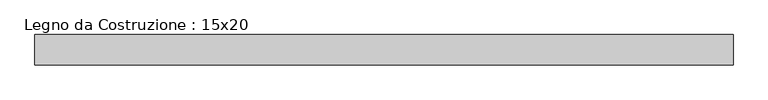
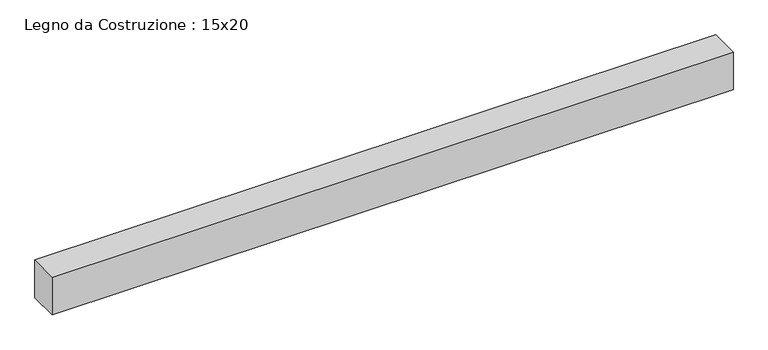
"""IFC4 building model written with IfcOpenShell, lengths in millimetres: beam geometry, Legno da Costruzione : 15x20."""

import ifcopenshell
import ifcopenshell.guid

model = None  # the IFC model being written
_history = None  # IfcOwnerHistory: only IFC2X3 demands one
_inside = {}  # id of a spatial element -> (the spatial element, [elements in it])
_under = {}  # id of a project, library or spatial element -> (it, [spatial elements below it])
_declared = {}  # id of a project -> (the project, [libraries it declares])
_typed = {}  # id of a type object -> (the type object, [elements of that type])
_made_of = {}  # id of a material, layer set ... -> (it, [elements and type objects made of it])


def new_model(schema):
    """Start an empty IFC model of exactly this schema.

    Asked for "IFC4X3", IfcOpenShell would pick the latest addendum, in which some entities
    have other attributes; the version numbers below select the first issue.
    IFC2X3 requires an IfcOwnerHistory on every rooted entity: one is made here for all.
    """
    global model, _history
    if schema == "IFC4X3":
        model = ifcopenshell.file(schema_version=(4, 3, 0, 0))
    else:
        model = ifcopenshell.file(schema=schema)
    _inside.clear()
    _under.clear()
    _declared.clear()
    _typed.clear()
    _made_of.clear()
    _history = None
    if model.schema == "IFC2X3":
        org = make("IfcOrganization", Name="unknown")
        user = make(
            "IfcPersonAndOrganization",
            ThePerson=make("IfcPerson", FamilyName="unknown"),
            TheOrganization=org,
        )
        app = make(
            "IfcApplication",
            ApplicationDeveloper=org,
            Version="unknown",
            ApplicationFullName="unknown",
            ApplicationIdentifier="unknown",
        )
        _history = make(
            "IfcOwnerHistory",
            OwningUser=user,
            OwningApplication=app,
            ChangeAction="ADDED",
            CreationDate=0,
        )
    return model


def make(cls, **values):
    """One entity of the class cls with the attributes given. An attribute that is None is left unset."""
    return model.create_entity(
        cls, **{name: value for name, value in values.items() if value is not None}
    )


def rooted(cls, **values):
    """An entity with a GlobalId (a new one), such as an element, a storey or a relation."""
    return make(cls, GlobalId=ifcopenshell.guid.new(), OwnerHistory=_history, **values)


def si_unit(unit_type, name, prefix=None):
    """IfcSIUnit, for example si_unit("LENGTHUNIT", "METRE", prefix="MILLI")."""
    return make("IfcSIUnit", UnitType=unit_type, Prefix=prefix, Name=name)


def assignment(units):
    """IfcUnitAssignment: the units of a project."""
    return None if units is None else make("IfcUnitAssignment", Units=units)


def point(xyz):
    """IfcCartesianPoint."""
    return None if xyz is None else make("IfcCartesianPoint", Coordinates=xyz)


def direction(xyz):
    """IfcDirection."""
    return None if xyz is None else make("IfcDirection", DirectionRatios=xyz)


def frame(location, z_axis=None, x_axis=None):
    """IfcAxis2Placement3D, a coordinate frame: its origin and axes. An axis left out is left unset."""
    return make(
        "IfcAxis2Placement3D",
        Location=point(location),
        Axis=direction(z_axis),
        RefDirection=direction(x_axis),
    )


def origin():
    """The frame at (0, 0, 0) with its axes left unset."""
    return frame((0.0, 0.0, 0.0))


def place(relative_to, where):
    """IfcLocalPlacement: puts the frame where relative to a parent placement (None: the world)."""
    return make(
        "IfcLocalPlacement", PlacementRelTo=relative_to, RelativePlacement=where
    )


def context(
    kind, dimensions, precision=None, world=None, true_north=None, identifier=None
):
    """IfcGeometricRepresentationContext, for example the 3D "Model" context."""
    return make(
        "IfcGeometricRepresentationContext",
        ContextIdentifier=identifier,
        ContextType=kind,
        CoordinateSpaceDimension=dimensions,
        Precision=precision,
        WorldCoordinateSystem=world,
        TrueNorth=true_north,
    )


def project(units=None, contexts=None):
    """IfcProject with its units and contexts."""
    return rooted(
        "IfcProject",
        Name="project",
        RepresentationContexts=contexts,
        UnitsInContext=assignment(units),
    )


def spatial(cls, under=None, at=None, **own):
    """A site, building, storey or space (cls), placed at a placement, below another one or the project."""
    s = rooted(cls, ObjectPlacement=at, **own)
    if under is not None:
        _under.setdefault(under.id(), (under, []))[1].append(s)
    return s


def polyline(points):
    """IfcPolyline through the points."""
    return make("IfcPolyline", Points=[point(p) for p in points])


def outline(outer, holes=None, kind="AREA"):
    """IfcArbitraryClosedProfileDef: a profile drawn as a closed curve; with holes, ...WithVoids."""
    if holes is None:
        return make("IfcArbitraryClosedProfileDef", ProfileType=kind, OuterCurve=outer)
    return make(
        "IfcArbitraryProfileDefWithVoids",
        ProfileType=kind,
        OuterCurve=outer,
        InnerCurves=holes,
    )


def extrude(swept, where, along, depth):
    """IfcExtrudedAreaSolid: the profile swept, set in the frame where, extruded along a direction by depth."""
    return make(
        "IfcExtrudedAreaSolid",
        SweptArea=swept,
        Position=where,
        ExtrudedDirection=direction(along),
        Depth=depth,
    )


def shape(context_of_items, identifier, shape_type, items):
    """IfcShapeRepresentation: the items that make up one representation, for example the "Body"."""
    return make(
        "IfcShapeRepresentation",
        ContextOfItems=context_of_items,
        RepresentationIdentifier=identifier,
        RepresentationType=shape_type,
        Items=items,
    )


def source(mapping_origin, context_of_items, identifier, shape_type, items):
    """IfcRepresentationMap: a shape defined once, which mapped items show again and again."""
    return make(
        "IfcRepresentationMap",
        MappingOrigin=mapping_origin,
        MappedRepresentation=shape(context_of_items, identifier, shape_type, items),
    )


def transform(
    local_origin,
    x_axis=None,
    y_axis=None,
    z_axis=None,
    scale=None,
    scale2=None,
    scale3=None,
    uniform=True,
):
    """IfcCartesianTransformationOperator3D, or its non-uniform kind. x_axis, y_axis, z_axis: its Axis1, 2, 3."""
    if uniform:
        return make(
            "IfcCartesianTransformationOperator3D",
            Axis1=direction(x_axis),
            Axis2=direction(y_axis),
            LocalOrigin=point(local_origin),
            Scale=scale,
            Axis3=direction(z_axis),
        )
    return make(
        "IfcCartesianTransformationOperator3DnonUniform",
        Axis1=direction(x_axis),
        Axis2=direction(y_axis),
        LocalOrigin=point(local_origin),
        Scale=scale,
        Axis3=direction(z_axis),
        Scale2=scale2,
        Scale3=scale3,
    )


def mapped(mapping_source, mapping_target):
    """IfcMappedItem: shows the shape of a source again, moved by a transform."""
    return make(
        "IfcMappedItem", MappingSource=mapping_source, MappingTarget=mapping_target
    )


def made_of(thing, what):
    """Note that an element or type object is made of a material, layer set ...; save() writes the relation."""
    if what is not None:
        _made_of.setdefault(what.id(), (what, []))[1].append(thing)
    return thing


def element(
    cls,
    number,
    at=None,
    inside=None,
    cuts=None,
    type_object=None,
    material=None,
    context=None,
    identifier="Body",
    shape_type=None,
    held_by="IfcProductDefinitionShape",
    body=None,
    shapes=None,
    **own,
):
    """One element of the class cls, such as IfcWall. Its Tag is "e" and its number.

    at: its placement. inside: the storey or other place that contains it. cuts: it is an
    opening in that element (IfcRelVoidsElement). A single representation is given by context,
    identifier, shape_type and body (its items); several are given by shapes. held_by: the class
    of the entity that holds the representations. save() writes the other relations.
    """
    e = rooted(cls, Tag="e%d" % number, ObjectPlacement=at, **own)
    if body is not None:
        shapes = [shape(context, identifier, shape_type, body)]
    if shapes is not None:
        e.Representation = make(held_by, Representations=shapes)
    if inside is not None:
        _inside.setdefault(inside.id(), (inside, []))[1].append(e)
    if cuts is not None:
        rooted(
            "IfcRelVoidsElement", RelatingBuildingElement=cuts, RelatedOpeningElement=e
        )
    if type_object is not None:
        _typed.setdefault(type_object.id(), (type_object, []))[1].append(e)
    return made_of(e, material)


def aggregate(whole, parts):
    """IfcRelAggregates: a whole, such as a stair, and the parts it consists of."""
    return rooted("IfcRelAggregates", RelatingObject=whole, RelatedObjects=parts)


def save(model, path):
    """Write the relations noted so far, then the file.

    IfcRelAggregates (storeys below a building ...), IfcRelContainedInSpatialStructure (elements
    in a storey), IfcRelDefinesByType, IfcRelAssociatesMaterial and IfcRelDeclares: one each for
    every whole, place, type object, material and project.
    """
    for whole, parts in _under.values():
        aggregate(whole, parts)
    for where, things in _inside.values():
        rooted(
            "IfcRelContainedInSpatialStructure",
            RelatedElements=things,
            RelatingStructure=where,
        )
    for kind, things in _typed.values():
        rooted("IfcRelDefinesByType", RelatedObjects=things, RelatingType=kind)
    for what, things in _made_of.values():
        rooted("IfcRelAssociatesMaterial", RelatedObjects=things, RelatingMaterial=what)
    for by, libraries in _declared.values():
        rooted("IfcRelDeclares", RelatingContext=by, RelatedDefinitions=libraries)
    model.write(path)


def legno_da_costruzione_15x20_e267cbd8(model_context):
    return source(origin(), model_context, "Body", "SweptSolid", [
        extrude(outline(polyline([(1806.5, 75.0), (1806.5, -75.0), (-1617.5, -75.0), (-1617.5, 75.0), (1806.5, 75.0)])), frame((0.0, 0.0, -100.0), z_axis=(0.0, 0.0, 1.0), x_axis=(1.0, 0.0, 0.0)), (0.0, 0.0, 1.0), 200.0),
    ])


if __name__ == "__main__":
    model = new_model("IFC4")
    model_context = context("Model", 3, world=origin())
    ifc_project = project(units=[si_unit("LENGTHUNIT", "METRE", prefix="MILLI")], contexts=[model_context])
    site = spatial("IfcSite", under=ifc_project)
    building = spatial("IfcBuilding", under=site)
    placement = place(None, origin())
    legno_da_costruzione_15x20_shape = legno_da_costruzione_15x20_e267cbd8(model_context)
    element("IfcBeam", 1, ObjectType="Legno da Costruzione : 15x20", at=placement, inside=building, context=model_context, shape_type="MappedRepresentation", body=[
        mapped(legno_da_costruzione_15x20_shape, transform((0.0, 0.0, 0.0), x_axis=(1.0, 0.0, 0.0), y_axis=(0.0, 1.0, 0.0), z_axis=(0.0, 0.0, 1.0))),
    ])
    save(model, "model.ifc")
